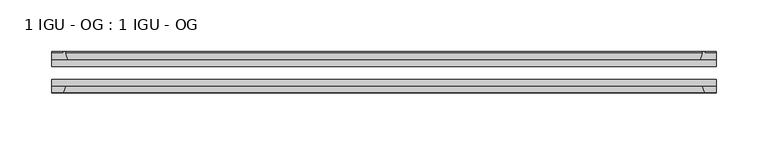
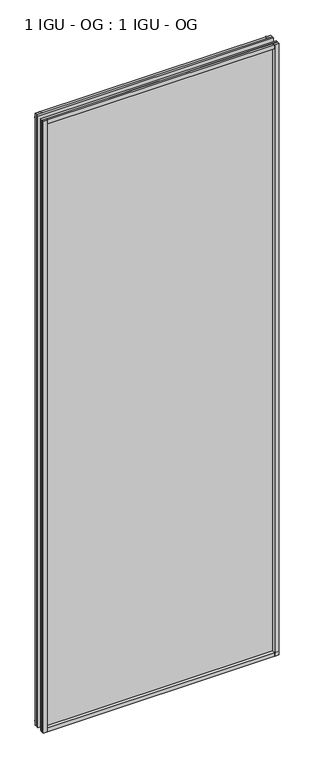
"""IFC4 building model written with IfcOpenShell, lengths in millimetres: plate geometry, 1 IGU - OG : 1 IGU - OG."""

import ifcopenshell
import ifcopenshell.guid

model = None  # the IFC model being written
_history = None  # IfcOwnerHistory: only IFC2X3 demands one
_inside = {}  # id of a spatial element -> (the spatial element, [elements in it])
_under = {}  # id of a project, library or spatial element -> (it, [spatial elements below it])
_declared = {}  # id of a project -> (the project, [libraries it declares])
_typed = {}  # id of a type object -> (the type object, [elements of that type])
_made_of = {}  # id of a material, layer set ... -> (it, [elements and type objects made of it])


def new_model(schema):
    """Start an empty IFC model of exactly this schema.

    Asked for "IFC4X3", IfcOpenShell would pick the latest addendum, in which some entities
    have other attributes; the version numbers below select the first issue.
    IFC2X3 requires an IfcOwnerHistory on every rooted entity: one is made here for all.
    """
    global model, _history
    if schema == "IFC4X3":
        model = ifcopenshell.file(schema_version=(4, 3, 0, 0))
    else:
        model = ifcopenshell.file(schema=schema)
    _inside.clear()
    _under.clear()
    _declared.clear()
    _typed.clear()
    _made_of.clear()
    _history = None
    if model.schema == "IFC2X3":
        org = make("IfcOrganization", Name="unknown")
        user = make(
            "IfcPersonAndOrganization",
            ThePerson=make("IfcPerson", FamilyName="unknown"),
            TheOrganization=org,
        )
        app = make(
            "IfcApplication",
            ApplicationDeveloper=org,
            Version="unknown",
            ApplicationFullName="unknown",
            ApplicationIdentifier="unknown",
        )
        _history = make(
            "IfcOwnerHistory",
            OwningUser=user,
            OwningApplication=app,
            ChangeAction="ADDED",
            CreationDate=0,
        )
    return model


def make(cls, **values):
    """One entity of the class cls with the attributes given. An attribute that is None is left unset."""
    return model.create_entity(
        cls, **{name: value for name, value in values.items() if value is not None}
    )


def rooted(cls, **values):
    """An entity with a GlobalId (a new one), such as an element, a storey or a relation."""
    return make(cls, GlobalId=ifcopenshell.guid.new(), OwnerHistory=_history, **values)


def si_unit(unit_type, name, prefix=None):
    """IfcSIUnit, for example si_unit("LENGTHUNIT", "METRE", prefix="MILLI")."""
    return make("IfcSIUnit", UnitType=unit_type, Prefix=prefix, Name=name)


def assignment(units):
    """IfcUnitAssignment: the units of a project."""
    return None if units is None else make("IfcUnitAssignment", Units=units)


def point(xyz):
    """IfcCartesianPoint."""
    return None if xyz is None else make("IfcCartesianPoint", Coordinates=xyz)


def direction(xyz):
    """IfcDirection."""
    return None if xyz is None else make("IfcDirection", DirectionRatios=xyz)


def frame(location, z_axis=None, x_axis=None):
    """IfcAxis2Placement3D, a coordinate frame: its origin and axes. An axis left out is left unset."""
    return make(
        "IfcAxis2Placement3D",
        Location=point(location),
        Axis=direction(z_axis),
        RefDirection=direction(x_axis),
    )


def frame_2d(location, x_axis=None):
    """IfcAxis2Placement2D, a coordinate frame in the plane: its origin and x axis."""
    return make(
        "IfcAxis2Placement2D", Location=point(location), RefDirection=direction(x_axis)
    )


def origin():
    """The frame at (0, 0, 0) with its axes left unset."""
    return frame((0.0, 0.0, 0.0))


def place(relative_to, where):
    """IfcLocalPlacement: puts the frame where relative to a parent placement (None: the world)."""
    return make(
        "IfcLocalPlacement", PlacementRelTo=relative_to, RelativePlacement=where
    )


def context(
    kind, dimensions, precision=None, world=None, true_north=None, identifier=None
):
    """IfcGeometricRepresentationContext, for example the 3D "Model" context."""
    return make(
        "IfcGeometricRepresentationContext",
        ContextIdentifier=identifier,
        ContextType=kind,
        CoordinateSpaceDimension=dimensions,
        Precision=precision,
        WorldCoordinateSystem=world,
        TrueNorth=true_north,
    )


def project(units=None, contexts=None):
    """IfcProject with its units and contexts."""
    return rooted(
        "IfcProject",
        Name="project",
        RepresentationContexts=contexts,
        UnitsInContext=assignment(units),
    )


def spatial(cls, under=None, at=None, **own):
    """A site, building, storey or space (cls), placed at a placement, below another one or the project."""
    s = rooted(cls, ObjectPlacement=at, **own)
    if under is not None:
        _under.setdefault(under.id(), (under, []))[1].append(s)
    return s


def polyline(points):
    """IfcPolyline through the points."""
    return make("IfcPolyline", Points=[point(p) for p in points])


def circle_curve(where, radius):
    """IfcCircle in the frame where."""
    return make("IfcCircle", Position=where, Radius=radius)


def trimmed(basis, trim1, trim2, sense, master):
    """IfcTrimmedCurve: the piece of a basis curve between two trims."""
    return make(
        "IfcTrimmedCurve",
        BasisCurve=basis,
        Trim1=trim1,
        Trim2=trim2,
        SenseAgreement=sense,
        MasterRepresentation=master,
    )


def segment(curve, same_sense, transition):
    """IfcCompositeCurveSegment."""
    return make(
        "IfcCompositeCurveSegment",
        Transition=transition,
        SameSense=same_sense,
        ParentCurve=curve,
    )


def composite_curve(segments, self_intersect=None):
    """IfcCompositeCurve: segments joined end to end."""
    return make("IfcCompositeCurve", Segments=segments, SelfIntersect=self_intersect)


def outline(outer, holes=None, kind="AREA"):
    """IfcArbitraryClosedProfileDef: a profile drawn as a closed curve; with holes, ...WithVoids."""
    if holes is None:
        return make("IfcArbitraryClosedProfileDef", ProfileType=kind, OuterCurve=outer)
    return make(
        "IfcArbitraryProfileDefWithVoids",
        ProfileType=kind,
        OuterCurve=outer,
        InnerCurves=holes,
    )


def extrude(swept, where, along, depth):
    """IfcExtrudedAreaSolid: the profile swept, set in the frame where, extruded along a direction by depth."""
    return make(
        "IfcExtrudedAreaSolid",
        SweptArea=swept,
        Position=where,
        ExtrudedDirection=direction(along),
        Depth=depth,
    )


def shape(context_of_items, identifier, shape_type, items):
    """IfcShapeRepresentation: the items that make up one representation, for example the "Body"."""
    return make(
        "IfcShapeRepresentation",
        ContextOfItems=context_of_items,
        RepresentationIdentifier=identifier,
        RepresentationType=shape_type,
        Items=items,
    )


def source(mapping_origin, context_of_items, identifier, shape_type, items):
    """IfcRepresentationMap: a shape defined once, which mapped items show again and again."""
    return make(
        "IfcRepresentationMap",
        MappingOrigin=mapping_origin,
        MappedRepresentation=shape(context_of_items, identifier, shape_type, items),
    )


def transform(
    local_origin,
    x_axis=None,
    y_axis=None,
    z_axis=None,
    scale=None,
    scale2=None,
    scale3=None,
    uniform=True,
):
    """IfcCartesianTransformationOperator3D, or its non-uniform kind. x_axis, y_axis, z_axis: its Axis1, 2, 3."""
    if uniform:
        return make(
            "IfcCartesianTransformationOperator3D",
            Axis1=direction(x_axis),
            Axis2=direction(y_axis),
            LocalOrigin=point(local_origin),
            Scale=scale,
            Axis3=direction(z_axis),
        )
    return make(
        "IfcCartesianTransformationOperator3DnonUniform",
        Axis1=direction(x_axis),
        Axis2=direction(y_axis),
        LocalOrigin=point(local_origin),
        Scale=scale,
        Axis3=direction(z_axis),
        Scale2=scale2,
        Scale3=scale3,
    )


def mapped(mapping_source, mapping_target):
    """IfcMappedItem: shows the shape of a source again, moved by a transform."""
    return make(
        "IfcMappedItem", MappingSource=mapping_source, MappingTarget=mapping_target
    )


def made_of(thing, what):
    """Note that an element or type object is made of a material, layer set ...; save() writes the relation."""
    if what is not None:
        _made_of.setdefault(what.id(), (what, []))[1].append(thing)
    return thing


def element(
    cls,
    number,
    at=None,
    inside=None,
    cuts=None,
    type_object=None,
    material=None,
    context=None,
    identifier="Body",
    shape_type=None,
    held_by="IfcProductDefinitionShape",
    body=None,
    shapes=None,
    **own,
):
    """One element of the class cls, such as IfcWall. Its Tag is "e" and its number.

    at: its placement. inside: the storey or other place that contains it. cuts: it is an
    opening in that element (IfcRelVoidsElement). A single representation is given by context,
    identifier, shape_type and body (its items); several are given by shapes. held_by: the class
    of the entity that holds the representations. save() writes the other relations.
    """
    e = rooted(cls, Tag="e%d" % number, ObjectPlacement=at, **own)
    if body is not None:
        shapes = [shape(context, identifier, shape_type, body)]
    if shapes is not None:
        e.Representation = make(held_by, Representations=shapes)
    if inside is not None:
        _inside.setdefault(inside.id(), (inside, []))[1].append(e)
    if cuts is not None:
        rooted(
            "IfcRelVoidsElement", RelatingBuildingElement=cuts, RelatedOpeningElement=e
        )
    if type_object is not None:
        _typed.setdefault(type_object.id(), (type_object, []))[1].append(e)
    return made_of(e, material)


def aggregate(whole, parts):
    """IfcRelAggregates: a whole, such as a stair, and the parts it consists of."""
    return rooted("IfcRelAggregates", RelatingObject=whole, RelatedObjects=parts)


def save(model, path):
    """Write the relations noted so far, then the file.

    IfcRelAggregates (storeys below a building ...), IfcRelContainedInSpatialStructure (elements
    in a storey), IfcRelDefinesByType, IfcRelAssociatesMaterial and IfcRelDeclares: one each for
    every whole, place, type object, material and project.
    """
    for whole, parts in _under.values():
        aggregate(whole, parts)
    for where, things in _inside.values():
        rooted(
            "IfcRelContainedInSpatialStructure",
            RelatedElements=things,
            RelatingStructure=where,
        )
    for kind, things in _typed.values():
        rooted("IfcRelDefinesByType", RelatedObjects=things, RelatingType=kind)
    for what, things in _made_of.values():
        rooted("IfcRelAssociatesMaterial", RelatedObjects=things, RelatingMaterial=what)
    for by, libraries in _declared.values():
        rooted("IfcRelDeclares", RelatingContext=by, RelatedDefinitions=libraries)
    model.write(path)


def plate_1_igu_og_1_igu_og_41db487c(model_context):
    return source(origin(), model_context, "Body", "SweptSolid", [
        extrude(outline(polyline([(339.3839068, -31.75), (339.3839068, -38.1), (-301.2839068, -38.1), (-301.2839068, -31.75), (339.3839068, -31.75)])), frame((0.0, 0.0, -11.1125), z_axis=(0.0, 0.0, 1.0), x_axis=(1.0, 0.0, 0.0)), (0.0, 0.0, 1.0), 1755.775),
        extrude(outline(polyline([(-301.2839068, -12.7), (339.3839068, -12.7), (339.3839068, -19.05), (-301.2839068, -19.05), (-301.2839068, -12.7)])), frame((0.0, 0.0, -11.1125), z_axis=(0.0, 0.0, 1.0), x_axis=(1.0, 0.0, 0.0)), (0.0, 0.0, 1.0), 1755.775),
        extrude(outline(composite_curve([segment(polyline([(-285.9481159, -12.7), (-301.2839068, -12.7), (-301.2839068, -6.35), (-290.1714068, -6.35), (-290.1714068, -4.7751661), (-289.2419928, -4.7751661)]), True, "CONTINUOUS"), segment(trimmed(circle_curve(frame_2d((-289.2419928, -5.5371661)), 0.762), [point((-289.2419928, -4.7751661))], [point((-288.4997829, -5.364631))], False, "CARTESIAN"), True, "CONTINUOUS"), segment(trimmed(circle_curve(frame_2d((-252.8705646, 2.9177851)), 36.5792237), [point((-288.4997829, -5.364631))], [point((-285.9481159, -12.7))], True, "CARTESIAN"), True, "CONTINUOUS")], self_intersect=False)), frame((0.0, 0.0, -11.1125), z_axis=(0.0, 0.0, 1.0), x_axis=(1.0, 0.0, 0.0)), (0.0, 0.0, 1.0), 1755.775),
        extrude(outline(polyline([(-301.2839068, -38.1), (-288.0661297, -38.1), (-290.1714068, -44.45), (-301.2839068, -44.45), (-301.2839068, -38.1)])), frame((0.0, 0.0, -11.1125), z_axis=(0.0, 0.0, 1.0), x_axis=(1.0, 0.0, 0.0)), (0.0, 0.0, 1.0), 1755.775),
        extrude(outline(composite_curve([segment(trimmed(circle_curve(frame_2d((327.3419928, -5.5371661)), 0.762), [point((326.5997829, -5.364631))], [point((327.3419928, -4.7751661))], False, "CARTESIAN"), True, "CONTINUOUS"), segment(polyline([(327.3419928, -4.7751661), (328.2714068, -4.7751661), (328.2714068, -6.35), (339.3839068, -6.35), (339.3839068, -12.7), (324.0481159, -12.7)]), True, "CONTINUOUS"), segment(trimmed(circle_curve(frame_2d((290.9705646, 2.9177851)), 36.5792237), [point((324.0481159, -12.7))], [point((326.5997829, -5.364631))], True, "CARTESIAN"), True, "CONTINUOUS")], self_intersect=False)), frame((0.0, 0.0, -11.1125), z_axis=(0.0, 0.0, 1.0), x_axis=(1.0, 0.0, 0.0)), (0.0, 0.0, 1.0), 1755.775),
        extrude(outline(polyline([(326.1661297, -38.1), (339.3839068, -38.1), (339.3839068, -44.45), (328.2714068, -44.45), (326.1661297, -38.1)])), frame((0.0, 0.0, -11.1125), z_axis=(0.0, 0.0, 1.0), x_axis=(1.0, 0.0, 0.0)), (0.0, 0.0, 1.0), 1755.775),
        extrude(outline(composite_curve([segment(polyline([(-12.7, -11.1125), (-12.7, 4.2232909)]), True, "CONTINUOUS"), segment(trimmed(circle_curve(frame_2d((2.9177851, 37.3008421)), 36.5792237), [point((-12.7, 4.2232909))], [point((-5.364631, 1.6716239))], True, "CARTESIAN"), True, "CONTINUOUS"), segment(trimmed(circle_curve(frame_2d((-5.5371661, 0.929414)), 0.762), [point((-5.364631, 1.6716239))], [point((-4.7751661, 0.929414))], False, "CARTESIAN"), True, "CONTINUOUS"), segment(polyline([(-4.7751661, 0.929414), (-4.7751661, 0.0), (-6.35, 0.0), (-6.35, -11.1125), (-12.7, -11.1125)]), True, "CONTINUOUS")], self_intersect=False)), frame((-301.2839068, 0.0, 0.0), z_axis=(1.0, 0.0, 0.0), x_axis=(0.0, 1.0, 0.0)), (0.0, 0.0, 1.0), 640.6678136),
        extrude(outline(polyline([(-38.1, 2.1052771), (-38.1, -11.1125), (-44.45, -11.1125), (-44.45, 0.0), (-38.1, 2.1052771)])), frame((-301.2839068, 0.0, 0.0), z_axis=(1.0, 0.0, 0.0), x_axis=(0.0, 1.0, 0.0)), (0.0, 0.0, 1.0), 640.6678136),
        extrude(outline(composite_curve([segment(trimmed(circle_curve(frame_2d((2.9177851, 1696.2491579)), 36.5792237), [point((-5.364631, 1731.8783761))], [point((-12.7, 1729.3267091))], True, "CARTESIAN"), True, "CONTINUOUS"), segment(polyline([(-12.7, 1729.3267091), (-12.7, 1744.6625), (-6.35, 1744.6625), (-6.35, 1733.55), (-4.7751661, 1733.55), (-4.7751661, 1732.620586)]), True, "CONTINUOUS"), segment(trimmed(circle_curve(frame_2d((-5.5371661, 1732.620586)), 0.762), [point((-4.7751661, 1732.620586))], [point((-5.364631, 1731.8783761))], False, "CARTESIAN"), True, "CONTINUOUS")], self_intersect=False)), frame((-301.2839068, 0.0, 0.0), z_axis=(1.0, 0.0, 0.0), x_axis=(0.0, 1.0, 0.0)), (0.0, 0.0, 1.0), 640.6678136),
        extrude(outline(polyline([(-38.1, 1744.6625), (-38.1, 1731.4447229), (-44.45, 1733.55), (-44.45, 1744.6625), (-38.1, 1744.6625)])), frame((-301.2839068, 0.0, 0.0), z_axis=(1.0, 0.0, 0.0), x_axis=(0.0, 1.0, 0.0)), (0.0, 0.0, 1.0), 640.6678136),
    ])


if __name__ == "__main__":
    model = new_model("IFC4")
    model_context = context("Model", 3, world=origin())
    ifc_project = project(units=[si_unit("LENGTHUNIT", "METRE", prefix="MILLI")], contexts=[model_context])
    site = spatial("IfcSite", under=ifc_project)
    building = spatial("IfcBuilding", under=site)
    placement = place(None, origin())
    plate_1_igu_og_1_igu_og_shape = plate_1_igu_og_1_igu_og_41db487c(model_context)
    element("IfcPlate", 1, ObjectType="1 IGU - OG : 1 IGU - OG", at=placement, inside=building, context=model_context, shape_type="MappedRepresentation", body=[
        mapped(plate_1_igu_og_1_igu_og_shape, transform((0.0, 0.0, 0.0), x_axis=(1.0, 0.0, 0.0), y_axis=(0.0, 1.0, 0.0), z_axis=(0.0, 0.0, 1.0))),
    ])
    save(model, "model.ifc")
